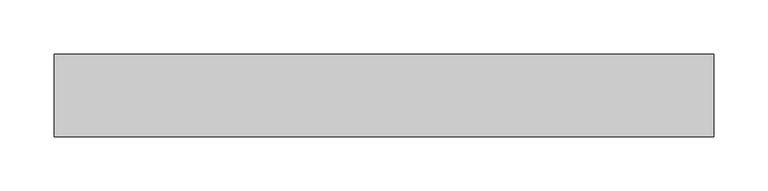
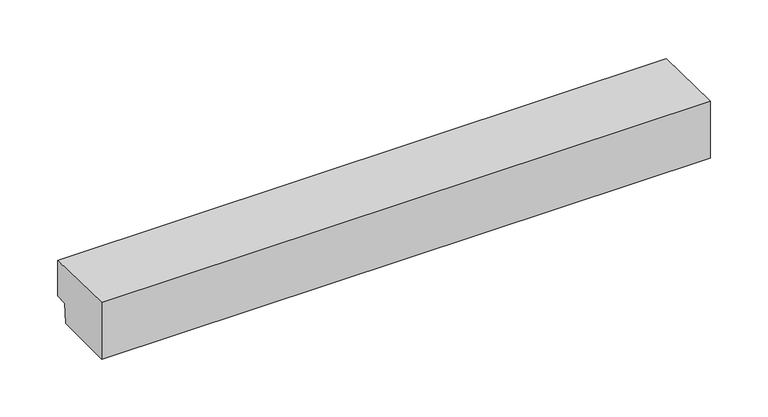
"""IFC4 building model written with IfcOpenShell, lengths in millimetres: proxy geometry."""

from ifc_helpers import new_model, si_unit, frame, origin, place, context, project, spatial, polyline, outline, extrude, source, transform, mapped, element, save


def generic_models_8727bf6b(model_context):
    return source(origin(), model_context, "Body", "SweptSolid", [
        extrude(outline(polyline([(-63.5, 0.0), (-63.5, 60.0300759), (12.7, 58.7), (12.7, 20.6), (0.0, 20.6), (-1.0796003, 0.0), (-63.5, 0.0)])), frame((-304.8, 0.0, 0.0), z_axis=(1.0, 0.0, 0.0), x_axis=(0.0, 1.0, 0.0)), (0.0, 0.0, 1.0), 609.6),
    ])


if __name__ == "__main__":
    model = new_model("IFC4")
    model_context = context("Model", 3, world=origin())
    ifc_project = project(units=[si_unit("LENGTHUNIT", "METRE", prefix="MILLI")], contexts=[model_context])
    site = spatial("IfcSite", under=ifc_project)
    building = spatial("IfcBuilding", under=site)
    placement = place(None, origin())
    generic_models_shape = generic_models_8727bf6b(model_context)
    element("IfcBuildingElementProxy", 1, Name="Generic Models", at=placement, inside=building, context=model_context, shape_type="MappedRepresentation", body=[
        mapped(generic_models_shape, transform((0.0, 0.0, 0.0), x_axis=(1.0, 0.0, 0.0), y_axis=(0.0, 1.0, 0.0), z_axis=(0.0, 0.0, 1.0))),
    ])
    save(model, "model.ifc")
